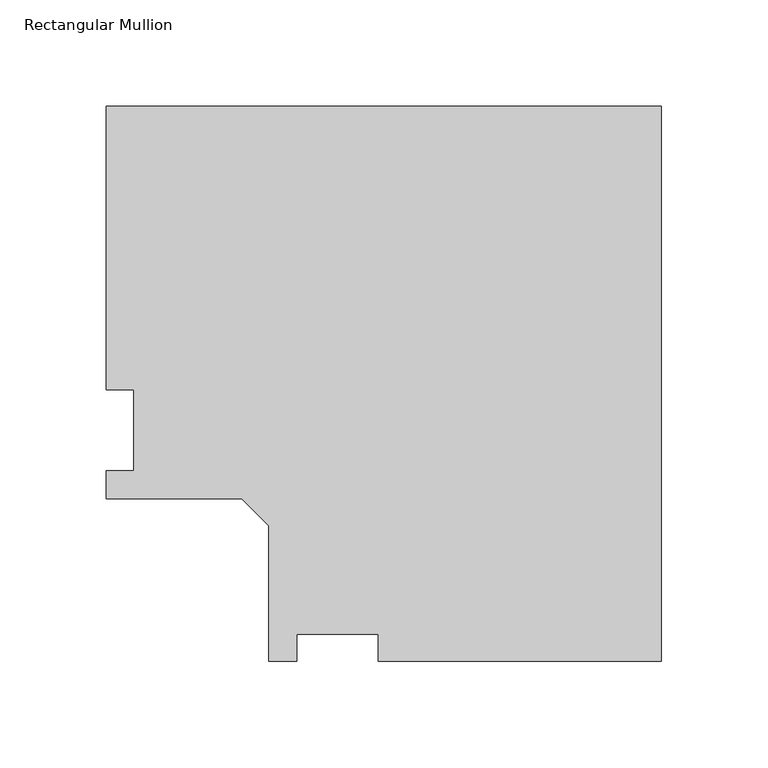
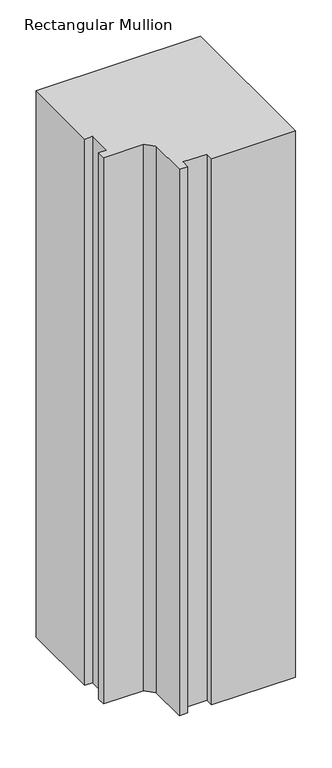
"""IFC4 building model written with IfcOpenShell, lengths in millimetres: member geometry, Rectangular Mullion."""

from ifc_helpers import new_model, si_unit, frame, origin, place, context, project, spatial, polyline, outline, extrude, source, transform, mapped, element, save


def rectangular_mullion_670017f2(model_context):
    return source(origin(), model_context, "Body", "SweptSolid", [
        extrude(outline(polyline([(0.0, 184.2396937), (0.0, -76.1865063), (-132.9436, -76.1865063), (-132.9436, -63.4865063), (-171.0436, -63.4865063), (-171.0436, -76.1865063), (-184.2262, -76.1865063), (-184.2262, -12.6865063), (-196.9262, 0.0134937), (-260.4262, 0.0134937), (-260.4262, 13.1960937), (-247.7262, 13.1960937), (-247.7262, 51.2960937), (-260.4262, 51.2960938), (-260.4262, 184.2396937), (0.0, 184.2396937)])), frame((0.0, 0.0, -914.4), z_axis=(0.0, 0.0, 1.0), x_axis=(1.0, 0.0, 0.0)), (0.0, 0.0, 1.0), 914.4),
    ])


if __name__ == "__main__":
    model = new_model("IFC4")
    model_context = context("Model", 3, world=origin())
    ifc_project = project(units=[si_unit("LENGTHUNIT", "METRE", prefix="MILLI")], contexts=[model_context])
    site = spatial("IfcSite", under=ifc_project)
    building = spatial("IfcBuilding", under=site)
    placement = place(None, origin())
    rectangular_mullion_shape = rectangular_mullion_670017f2(model_context)
    element("IfcMember", 1, ObjectType="Rectangular Mullion", at=placement, inside=building, context=model_context, shape_type="MappedRepresentation", body=[
        mapped(rectangular_mullion_shape, transform((0.0, 0.0, 0.0), x_axis=(1.0, 0.0, 0.0), y_axis=(0.0, 1.0, 0.0), z_axis=(0.0, 0.0, 1.0))),
    ])
    save(model, "model.ifc")
